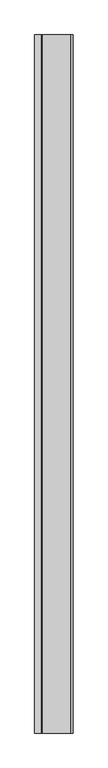
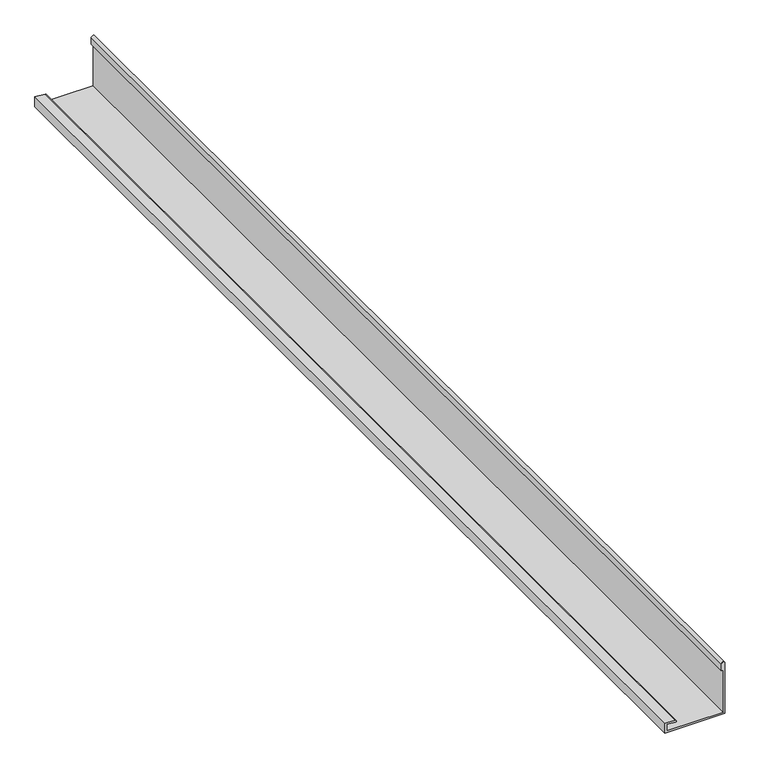
"""IFC4 building model written with IfcOpenShell, lengths in millimetres: proxy geometry."""

from ifc_helpers import new_model, si_unit, point, frame, frame_2d, origin, place, context, project, spatial, polyline, circle_curve, trimmed, segment, composite_curve, outline, extrude, source, transform, mapped, element, save


def generic_models_b76d0b74(model_context):
    return source(origin(), model_context, "Body", "SweptSolid", [
        extrude(outline(composite_curve([segment(polyline([(3799.2452806, -11770.8421646), (3799.2452806, -11600.8421646), (3949.6655464, -11600.8421646)]), True, "CONTINUOUS"), segment(trimmed(circle_curve(frame_2d((3949.6655464, -11605.8421646)), 5.0), [point((3949.6655464, -11600.8421646))], [point((3949.6655464, -11610.8421646))], False, "CARTESIAN"), True, "CONTINUOUS"), segment(polyline([(3949.6655464, -11610.8421646), (3929.6655464, -11610.8421646), (3929.6655464, -11605.8421646), (3804.2452806, -11605.8421646), (3804.2452806, -11765.8421646), (3823.7887381, -11765.8421646), (3821.6496348, -11741.3921023)]), True, "CONTINUOUS"), segment(trimmed(circle_curve(frame_2d((3824.1401216, -11741.174213)), 2.5), [point((3821.6496348, -11741.3921023))], [point((3826.6306083, -11740.9563236))], False, "CARTESIAN"), True, "CONTINUOUS"), segment(polyline([(3826.6306083, -11740.9563236), (3829.2452806, -11770.8421646), (3799.2452806, -11770.8421646)]), True, "CONTINUOUS")], self_intersect=False)), frame((0.0, -1339.0060744, 0.0), z_axis=(0.0, 1.0, 0.0), x_axis=(0.0, 0.0, 1.0)), (0.0, 0.0, 1.0), 3090.0),
    ])


if __name__ == "__main__":
    model = new_model("IFC4")
    model_context = context("Model", 3, world=origin())
    ifc_project = project(units=[si_unit("LENGTHUNIT", "METRE", prefix="MILLI")], contexts=[model_context])
    site = spatial("IfcSite", under=ifc_project)
    building = spatial("IfcBuilding", under=site)
    placement = place(None, origin())
    generic_models_shape = generic_models_b76d0b74(model_context)
    element("IfcBuildingElementProxy", 1, Name="Generic Models", at=placement, inside=building, context=model_context, shape_type="MappedRepresentation", body=[
        mapped(generic_models_shape, transform((0.0, 0.0, 0.0), x_axis=(1.0, 0.0, 0.0), y_axis=(0.0, 1.0, 0.0), z_axis=(0.0, 0.0, 1.0))),
    ])
    save(model, "model.ifc")
